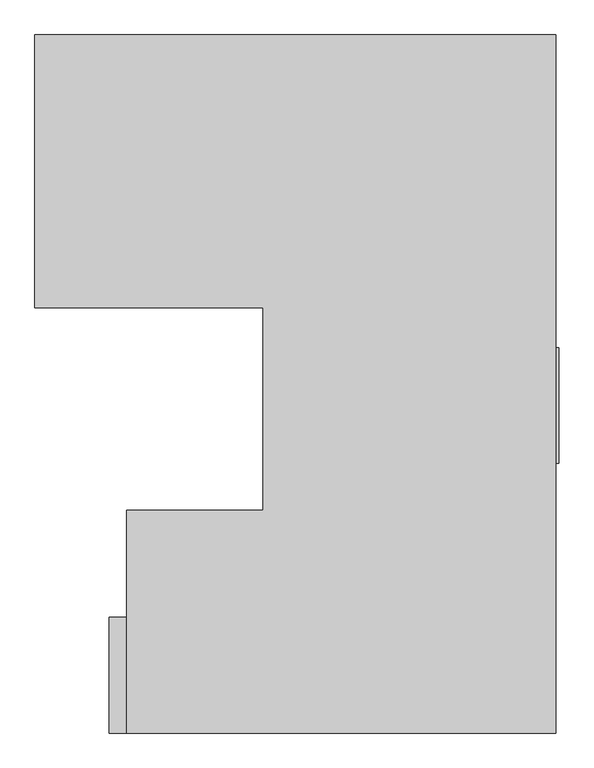
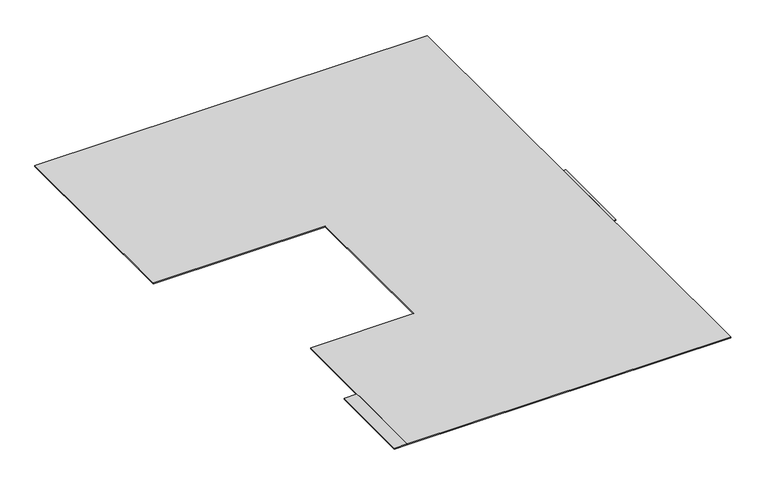
"""IFC4 building model written with IfcOpenShell, lengths in millimetres: proxy geometry."""

from ifc_helpers import new_model, si_unit, origin, origin_with_axes, place, context, project, spatial, polyline, outline, extrude, source, transform, mapped, element, save


def generic_models_8b1274d0(model_context):
    return source(origin(), model_context, "Body", "SweptSolid", [
        extrude(outline(polyline([(1532.1270411, 3609.2068086), (1532.1270411, 5519.2068086), (5184.1270411, 5519.2068086), (5184.1270411, 629.2068086), (2174.1270411, 629.2068086), (2174.1270411, 2189.2068086), (3132.1270411, 2189.2068086), (3132.1270411, 3609.2068086), (1532.1270411, 3609.2068086)])), origin_with_axes(), (0.0, 0.0, 1.0), 10.0),
        extrude(outline(polyline([(2054.1270411, 1439.2068086), (2174.1270411, 1439.2068086), (2174.1270411, 629.2068086), (2054.1270411, 629.2068086), (2054.1270411, 1439.2068086)])), origin_with_axes(), (0.0, 0.0, 1.0), 10.0),
        extrude(outline(polyline([(5204.1270411, 2519.2068086), (5184.1270411, 2519.2068086), (5184.1270411, 3329.2068086), (5204.1270411, 3329.2068086), (5204.1270411, 2519.2068086)])), origin_with_axes(), (0.0, 0.0, 1.0), 10.0),
    ])


if __name__ == "__main__":
    model = new_model("IFC4")
    model_context = context("Model", 3, world=origin())
    ifc_project = project(units=[si_unit("LENGTHUNIT", "METRE", prefix="MILLI")], contexts=[model_context])
    site = spatial("IfcSite", under=ifc_project)
    building = spatial("IfcBuilding", under=site)
    placement = place(None, origin())
    generic_models_shape = generic_models_8b1274d0(model_context)
    element("IfcBuildingElementProxy", 1, Name="Generic Models", at=placement, inside=building, context=model_context, shape_type="MappedRepresentation", body=[
        mapped(generic_models_shape, transform((0.0, 0.0, 0.0), x_axis=(1.0, 0.0, 0.0), y_axis=(0.0, 1.0, 0.0), z_axis=(0.0, 0.0, 1.0))),
    ])
    save(model, "model.ifc")
